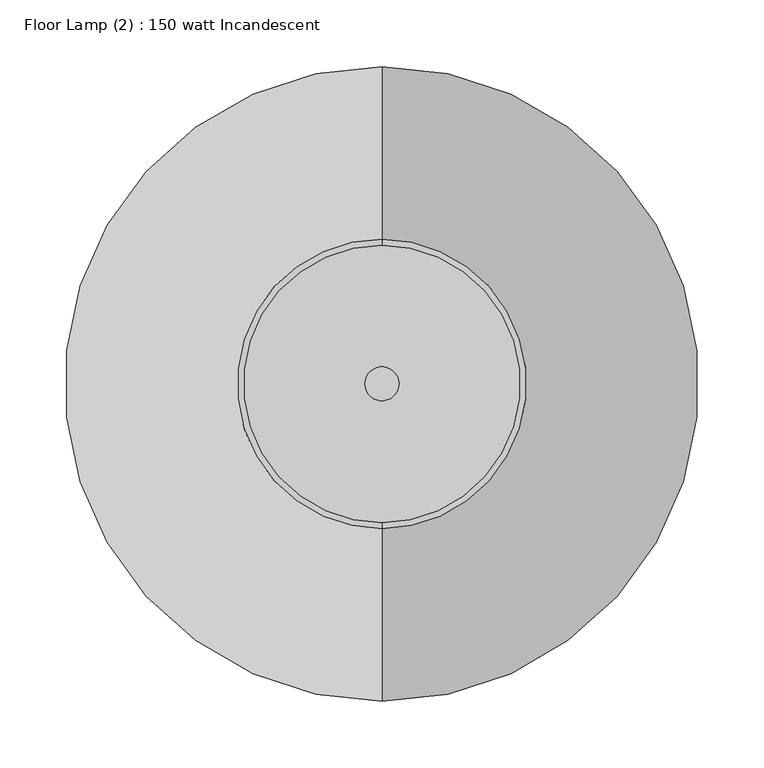
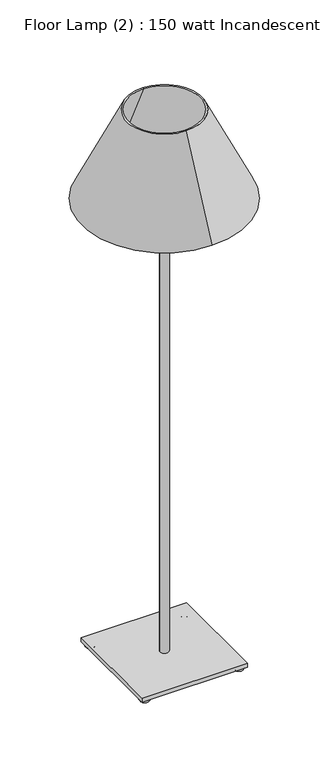
"""IFC4 building model written with IfcOpenShell, lengths in millimetres: light fixture geometry, Floor Lamp (2) : 150 watt Incandescent."""

from ifc_helpers import new_model, si_unit, point, frame, origin, origin_2d, place, context, project, spatial, polyline, circle_curve, ellipse_curve, trimmed, segment, composite_curve, outline, extrude, source, transform, mapped, element, save
from ifc_brep_helpers import plane_surface, revolved_surface, advanced_brep


def floor_lamp_2_150_watt_incandescent_8564026f(model_context):
    return source(origin(), model_context, "Body", "SolidModel", [
        extrude(outline(composite_curve([segment(trimmed(circle_curve(origin_2d(), 12.7), [point((-12.7, 0.0))], [point((12.7, 0.0))], False, "CARTESIAN"), True, "CONTINUOUS"), segment(trimmed(circle_curve(origin_2d(), 12.7), [point((12.7, 0.0))], [point((-12.7, 0.0))], False, "CARTESIAN"), True, "CONTINUOUS")], self_intersect=False)), frame((0.0, 0.0, 24.9639672), z_axis=(0.0, 0.0, 1.0), x_axis=(1.0, 0.0, 0.0)), (0.0, 0.0, 1.0), 1499.0360328),
        extrude(outline(polyline([(152.4, 152.4), (152.4, -152.4), (-152.4, -152.4), (-152.4, 152.4), (152.4, 152.4)])), frame((0.0, 0.0, 12.6871384), z_axis=(0.0, 0.0, 1.0), x_axis=(1.0, 0.0, 0.0)), (0.0, 0.0, 1.0), 12.2768288),
        advanced_brep(
        [(133.9366871, -135.595774, 0.0), (140.1544999, -135.595774, 0.0), (140.1544999, -135.595774, 12.6871384), (133.9366871, -135.595774, 12.6871384), (121.2495488, -135.595774, 12.6871384), (152.8416383, -135.595774, 12.6871384)],
        [
            (0, 1, circle_curve(frame((137.0455935, -135.595774, 0.0), z_axis=(0.0, 0.0, -1.0), x_axis=(0.0, 1.0, 0.0)), 3.1089064)),
            (1, 2),
            (2, 3, circle_curve(frame((137.0455935, -135.595774, 12.6871384), z_axis=(0.0, 0.0, 1.0), x_axis=(0.0, 1.0, 0.0)), 3.1089064)),
            (3, 0),
            (1, 0, circle_curve(frame((137.0455935, -135.595774, 0.0), z_axis=(0.0, 0.0, -1.0), x_axis=(0.0, 1.0, 0.0)), 3.1089064)),
            (3, 2, circle_curve(frame((137.0455935, -135.595774, 12.6871384), z_axis=(0.0, 0.0, 1.0), x_axis=(0.0, 1.0, 0.0)), 3.1089064)),
            (4, 5, circle_curve(frame((137.0455935, -135.595774, 12.6871384), z_axis=(0.0, 0.0, -1.0), x_axis=(0.0, 1.0, 0.0)), 15.7960447)),
            (5, 1, circle_curve(frame((140.1544999, -135.595774, 12.6871384), z_axis=(0.0, 1.0, 0.0), x_axis=(1.0, 0.0, 0.0)), 12.6871384)),
            (0, 4, circle_curve(frame((133.9366871, -135.595774, 12.6871384), z_axis=(0.0, 1.0, 0.0), x_axis=(-1.0, 0.0, 0.0)), 12.6871384)),
            (5, 4, circle_curve(frame((137.0455935, -135.595774, 12.6871384), z_axis=(0.0, 0.0, -1.0), x_axis=(0.0, 1.0, 0.0)), 15.7960447)),
            (2, 5),
            (4, 3),
        ],
        [
            revolved_surface(polyline([(137.0455935, -132.4868676, 12.6871384), (137.0455935, -132.4868676, 0.0)]), (137.0455935, -135.595774, 0.0), (0.0, 0.0, 1.0)),
            revolved_surface(trimmed(ellipse_curve(frame((137.0455935, -132.4868676, 12.6871384), z_axis=(1.0, 0.0, 0.0), x_axis=(0.0, 1.0, 0.0)), 12.6871384, 12.6871384), [point((137.0455935, -132.4868676, 0.0))], [point((137.0455935, -119.7997292, 12.6871384))], True, "CARTESIAN"), (137.0455935, -135.595774, 0.0), (0.0, 0.0, 1.0)),
            plane_surface(frame((137.0455935, -135.595774, 12.6871384), z_axis=(0.0, 0.0, 1.0), x_axis=(0.0, 1.0, 0.0))),
        ],
        [
            (0, [[1, 2, 3, 4]]),
            (0, [[5, -4, 6, -2]]),
            (1, [[7, 8, -1, 9]]),
            (1, [[10, -9, -5, -8]]),
            (2, [[-3, 11, -7, 12]]),
            (2, [[-6, -12, -10, -11]]),
        ],
    ),
        advanced_brep(
        [(-138.5460372, -136.1907144, 0.0), (-132.3282244, -136.1907144, 0.0), (-132.3282244, -136.1907144, 12.6871384), (-138.5460372, -136.1907144, 12.6871384), (-151.2331755, -136.1907144, 12.6871384), (-119.641086, -136.1907144, 12.6871384)],
        [
            (0, 1, circle_curve(frame((-135.4371308, -136.1907144, 0.0), z_axis=(0.0, 0.0, -1.0), x_axis=(0.0, 1.0, 0.0)), 3.1089064)),
            (1, 2),
            (2, 3, circle_curve(frame((-135.4371308, -136.1907144, 12.6871384), z_axis=(0.0, 0.0, 1.0), x_axis=(0.0, 1.0, 0.0)), 3.1089064)),
            (3, 0),
            (1, 0, circle_curve(frame((-135.4371308, -136.1907144, 0.0), z_axis=(0.0, 0.0, -1.0), x_axis=(0.0, 1.0, 0.0)), 3.1089064)),
            (3, 2, circle_curve(frame((-135.4371308, -136.1907144, 12.6871384), z_axis=(0.0, 0.0, 1.0), x_axis=(0.0, 1.0, 0.0)), 3.1089064)),
            (4, 5, circle_curve(frame((-135.4371308, -136.1907144, 12.6871384), z_axis=(0.0, 0.0, -1.0), x_axis=(0.0, 1.0, 0.0)), 15.7960447)),
            (5, 1, circle_curve(frame((-132.3282244, -136.1907144, 12.6871384), z_axis=(0.0, 1.0, 0.0), x_axis=(1.0, 0.0, 0.0)), 12.6871384)),
            (0, 4, circle_curve(frame((-138.5460372, -136.1907144, 12.6871384), z_axis=(0.0, 1.0, 0.0), x_axis=(-1.0, 0.0, 0.0)), 12.6871384)),
            (5, 4, circle_curve(frame((-135.4371308, -136.1907144, 12.6871384), z_axis=(0.0, 0.0, -1.0), x_axis=(0.0, 1.0, 0.0)), 15.7960447)),
            (2, 5),
            (4, 3),
        ],
        [
            revolved_surface(polyline([(-135.4371308, -133.081808, 12.6871384), (-135.4371308, -133.081808, 0.0)]), (-135.4371308, -136.1907144, 0.0), (0.0, 0.0, 1.0)),
            revolved_surface(trimmed(ellipse_curve(frame((-135.4371308, -133.081808, 12.6871384), z_axis=(1.0, 0.0, 0.0), x_axis=(0.0, 1.0, 0.0)), 12.6871384, 12.6871384), [point((-135.4371308, -133.081808, 0.0))], [point((-135.4371308, -120.3946697, 12.6871384))], True, "CARTESIAN"), (-135.4371308, -136.1907144, 0.0), (0.0, 0.0, 1.0)),
            plane_surface(frame((-135.4371308, -136.1907144, 12.6871384), z_axis=(0.0, 0.0, 1.0), x_axis=(0.0, 1.0, 0.0))),
        ],
        [
            (0, [[1, 2, 3, 4]]),
            (0, [[5, -4, 6, -2]]),
            (1, [[7, 8, -1, 9]]),
            (1, [[10, -9, -5, -8]]),
            (2, [[-3, 11, -7, 12]]),
            (2, [[-6, -12, -10, -11]]),
        ],
    ),
        advanced_brep(
        [(-139.1409776, 135.6970694, 0.0), (-132.9231648, 135.6970694, 0.0), (-132.9231648, 135.6970694, 12.6871384), (-139.1409776, 135.6970694, 12.6871384), (-151.828116, 135.6970694, 12.6871384), (-120.2360265, 135.6970694, 12.6871384)],
        [
            (0, 1, circle_curve(frame((-136.0320712, 135.6970694, 0.0), z_axis=(0.0, 0.0, -1.0), x_axis=(0.0, 1.0, 0.0)), 3.1089064)),
            (1, 2),
            (2, 3, circle_curve(frame((-136.0320712, 135.6970694, 12.6871384), z_axis=(0.0, 0.0, 1.0), x_axis=(0.0, 1.0, 0.0)), 3.1089064)),
            (3, 0),
            (1, 0, circle_curve(frame((-136.0320712, 135.6970694, 0.0), z_axis=(0.0, 0.0, -1.0), x_axis=(0.0, 1.0, 0.0)), 3.1089064)),
            (3, 2, circle_curve(frame((-136.0320712, 135.6970694, 12.6871384), z_axis=(0.0, 0.0, 1.0), x_axis=(0.0, 1.0, 0.0)), 3.1089064)),
            (4, 5, circle_curve(frame((-136.0320712, 135.6970694, 12.6871384), z_axis=(0.0, 0.0, -1.0), x_axis=(0.0, 1.0, 0.0)), 15.7960447)),
            (5, 1, circle_curve(frame((-132.9231648, 135.6970694, 12.6871384), z_axis=(0.0, 1.0, 0.0), x_axis=(1.0, 0.0, 0.0)), 12.6871384)),
            (0, 4, circle_curve(frame((-139.1409776, 135.6970694, 12.6871384), z_axis=(0.0, 1.0, 0.0), x_axis=(-1.0, 0.0, 0.0)), 12.6871384)),
            (5, 4, circle_curve(frame((-136.0320712, 135.6970694, 12.6871384), z_axis=(0.0, 0.0, -1.0), x_axis=(0.0, 1.0, 0.0)), 15.7960447)),
            (2, 5),
            (4, 3),
        ],
        [
            revolved_surface(polyline([(-136.0320712, 138.8059758, 12.6871384), (-136.0320712, 138.8059758, 0.0)]), (-136.0320712, 135.6970694, 0.0), (0.0, 0.0, 1.0)),
            revolved_surface(trimmed(ellipse_curve(frame((-136.0320712, 138.8059758, 12.6871384), z_axis=(1.0, 0.0, 0.0), x_axis=(0.0, 1.0, 0.0)), 12.6871384, 12.6871384), [point((-136.0320712, 138.8059758, 0.0))], [point((-136.0320712, 151.4931142, 12.6871384))], True, "CARTESIAN"), (-136.0320712, 135.6970694, 0.0), (0.0, 0.0, 1.0)),
            plane_surface(frame((-136.0320712, 135.6970694, 12.6871384), z_axis=(0.0, 0.0, 1.0), x_axis=(0.0, 1.0, 0.0))),
        ],
        [
            (0, [[1, 2, 3, 4]]),
            (0, [[5, -4, 6, -2]]),
            (1, [[7, 8, -1, 9]]),
            (1, [[10, -9, -5, -8]]),
            (2, [[-3, 11, -7, 12]]),
            (2, [[-6, -12, -10, -11]]),
        ],
    ),
        advanced_brep(
        [(133.2106985, 136.0573029, 0.0), (139.4285113, 136.0573029, 0.0), (139.4285113, 136.0573029, 12.6871384), (133.2106985, 136.0573029, 12.6871384), (120.5235602, 136.0573029, 12.6871384), (152.1156497, 136.0573029, 12.6871384)],
        [
            (0, 1, circle_curve(frame((136.3196049, 136.0573029, 0.0), z_axis=(0.0, 0.0, -1.0), x_axis=(0.0, 1.0, 0.0)), 3.1089064)),
            (1, 2),
            (2, 3, circle_curve(frame((136.3196049, 136.0573029, 12.6871384), z_axis=(0.0, 0.0, 1.0), x_axis=(0.0, 1.0, 0.0)), 3.1089064)),
            (3, 0),
            (1, 0, circle_curve(frame((136.3196049, 136.0573029, 0.0), z_axis=(0.0, 0.0, -1.0), x_axis=(0.0, 1.0, 0.0)), 3.1089064)),
            (3, 2, circle_curve(frame((136.3196049, 136.0573029, 12.6871384), z_axis=(0.0, 0.0, 1.0), x_axis=(0.0, 1.0, 0.0)), 3.1089064)),
            (4, 5, circle_curve(frame((136.3196049, 136.0573029, 12.6871384), z_axis=(0.0, 0.0, -1.0), x_axis=(0.0, 1.0, 0.0)), 15.7960447)),
            (5, 1, circle_curve(frame((139.4285113, 136.0573029, 12.6871384), z_axis=(0.0, 1.0, 0.0), x_axis=(1.0, 0.0, 0.0)), 12.6871384)),
            (0, 4, circle_curve(frame((133.2106985, 136.0573029, 12.6871384), z_axis=(0.0, 1.0, 0.0), x_axis=(-1.0, 0.0, 0.0)), 12.6871384)),
            (5, 4, circle_curve(frame((136.3196049, 136.0573029, 12.6871384), z_axis=(0.0, 0.0, -1.0), x_axis=(0.0, 1.0, 0.0)), 15.7960447)),
            (2, 5),
            (4, 3),
        ],
        [
            revolved_surface(polyline([(136.3196049, 139.1662093, 12.6871384), (136.3196049, 139.1662093, 0.0)]), (136.3196049, 136.0573029, 0.0), (0.0, 0.0, 1.0)),
            revolved_surface(trimmed(ellipse_curve(frame((136.3196049, 139.1662093, 12.6871384), z_axis=(1.0, 0.0, 0.0), x_axis=(0.0, 1.0, 0.0)), 12.6871384, 12.6871384), [point((136.3196049, 139.1662093, 0.0))], [point((136.3196049, 151.8533477, 12.6871384))], True, "CARTESIAN"), (136.3196049, 136.0573029, 0.0), (0.0, 0.0, 1.0)),
            plane_surface(frame((136.3196049, 136.0573029, 12.6871384), z_axis=(0.0, 0.0, 1.0), x_axis=(0.0, 1.0, 0.0))),
        ],
        [
            (0, [[1, 2, 3, 4]]),
            (0, [[5, -4, 6, -2]]),
            (1, [[7, 8, -1, 9]]),
            (1, [[10, -9, -5, -8]]),
            (2, [[-3, 11, -7, 12]]),
            (2, [[-6, -12, -10, -11]]),
        ],
    ),
        advanced_brep(
        [(0.0, -233.3382251, 1403.5752564), (0.0, 233.3382251, 1403.5752564), (0.0, 104.0586089, 1674.1859784), (0.0, -104.0586089, 1674.1859784), (0.0, -237.8523754, 1403.5752564), (0.0, 237.8523754, 1403.5752564), (0.0, -108.5727592, 1674.1859784), (0.0, 108.5727592, 1674.1859784)],
        [
            (0, 1, circle_curve(frame((0.0, 0.0, 1403.5752564), z_axis=(0.0, 0.0, -1.0), x_axis=(0.0, 1.0, 0.0)), 233.3382251)),
            (1, 2),
            (2, 3, circle_curve(frame((0.0, 0.0, 1674.1859784), z_axis=(0.0, 0.0, 1.0), x_axis=(0.0, 1.0, 0.0)), 104.0586089)),
            (3, 0),
            (1, 0, circle_curve(frame((0.0, 0.0, 1403.5752564), z_axis=(0.0, 0.0, -1.0), x_axis=(0.0, 1.0, 0.0)), 233.3382251)),
            (3, 2, circle_curve(frame((0.0, 0.0, 1674.1859784), z_axis=(0.0, 0.0, 1.0), x_axis=(0.0, 1.0, 0.0)), 104.0586089)),
            (4, 5, circle_curve(frame((0.0, 0.0, 1403.5752564), z_axis=(0.0, 0.0, -1.0), x_axis=(0.0, 1.0, 0.0)), 237.8523754)),
            (5, 1),
            (0, 4),
            (5, 4, circle_curve(frame((0.0, 0.0, 1403.5752564), z_axis=(0.0, 0.0, -1.0), x_axis=(0.0, 1.0, 0.0)), 237.8523754)),
            (6, 7, circle_curve(frame((0.0, 0.0, 1674.1859784), z_axis=(0.0, 0.0, -1.0), x_axis=(0.0, 1.0, 0.0)), 108.5727592)),
            (7, 5),
            (4, 6),
            (7, 6, circle_curve(frame((0.0, 0.0, 1674.1859784), z_axis=(0.0, 0.0, -1.0), x_axis=(0.0, 1.0, 0.0)), 108.5727592)),
            (2, 7),
            (6, 3),
        ],
        [
            revolved_surface(polyline([(0.0, 104.0586089, 1674.1859784), (0.0, 233.3382251, 1403.5752564)]), (0.0, 0.0, 1713.8233367), (0.0, 0.0, 1.0)),
            plane_surface(frame((0.0, 0.0, 1403.5752564), z_axis=(0.0, 0.0, -1.0), x_axis=(0.0, 1.0, 0.0))),
            revolved_surface(polyline([(0.0, 237.8523754, 1403.5752564), (0.0, 108.5727592, 1674.1859784)]), (0.0, 0.0, 1713.8233367), (0.0, 0.0, 1.0)),
            plane_surface(frame((0.0, 0.0, 1674.1859784), z_axis=(0.0, 0.0, 1.0), x_axis=(0.0, 1.0, 0.0))),
        ],
        [
            (0, [[1, 2, 3, 4]]),
            (0, [[5, -4, 6, -2]]),
            (1, [[7, 8, -1, 9]]),
            (1, [[10, -9, -5, -8]]),
            (2, [[11, 12, -7, 13]]),
            (2, [[14, -13, -10, -12]]),
            (3, [[-3, 15, -11, 16]]),
            (3, [[-6, -16, -14, -15]]),
        ],
    ),
    ])


if __name__ == "__main__":
    model = new_model("IFC4")
    model_context = context("Model", 3, world=origin())
    ifc_project = project(units=[si_unit("LENGTHUNIT", "METRE", prefix="MILLI")], contexts=[model_context])
    site = spatial("IfcSite", under=ifc_project)
    building = spatial("IfcBuilding", under=site)
    placement = place(None, origin())
    floor_lamp_2_150_watt_incandescent_shape = floor_lamp_2_150_watt_incandescent_8564026f(model_context)
    element("IfcLightFixture", 1, ObjectType="Floor Lamp (2) : 150 watt Incandescent", at=placement, inside=building, context=model_context, shape_type="MappedRepresentation", body=[
        mapped(floor_lamp_2_150_watt_incandescent_shape, transform((0.0, 0.0, 0.0), x_axis=(1.0, 0.0, 0.0), y_axis=(0.0, 1.0, 0.0), z_axis=(0.0, 0.0, 1.0))),
    ])
    save(model, "model.ifc")
